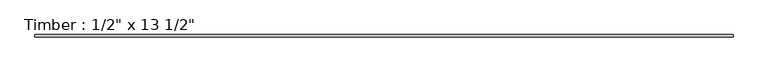
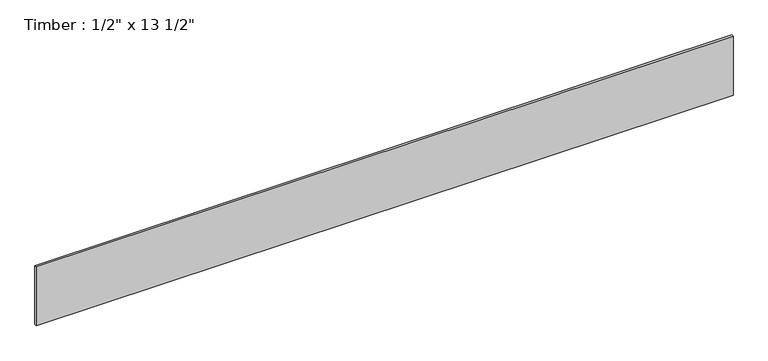
"""IFC4 building model written with IfcOpenShell, lengths in millimetres: beam geometry."""

from ifc_helpers import new_model, si_unit, frame, origin, place, context, project, spatial, polyline, outline, extrude, source, transform, mapped, element, save


def beam_5071dfc4(model_context):
    return source(origin(), model_context, "Body", "SweptSolid", [
        extrude(outline(polyline([(1921.9785271, 6.35), (1921.9785271, -6.35), (-1921.9785271, -6.35), (-1921.9785271, 6.35), (1921.9785271, 6.35)])), frame((0.0, 0.0, -171.45), z_axis=(0.0, 0.0, 1.0), x_axis=(1.0, 0.0, 0.0)), (0.0, 0.0, 1.0), 342.9),
    ])


if __name__ == "__main__":
    model = new_model("IFC4")
    model_context = context("Model", 3, world=origin())
    ifc_project = project(units=[si_unit("LENGTHUNIT", "METRE", prefix="MILLI")], contexts=[model_context])
    site = spatial("IfcSite", under=ifc_project)
    building = spatial("IfcBuilding", under=site)
    placement = place(None, origin())
    beam_shape = beam_5071dfc4(model_context)
    element("IfcBeam", 1, ObjectType="Timber : 1/2\" x 13 1/2\"", at=placement, inside=building, context=model_context, shape_type="MappedRepresentation", body=[
        mapped(beam_shape, transform((0.0, 0.0, 0.0), x_axis=(1.0, 0.0, 0.0), y_axis=(0.0, 1.0, 0.0), z_axis=(0.0, 0.0, 1.0))),
    ])
    save(model, "model.ifc")
